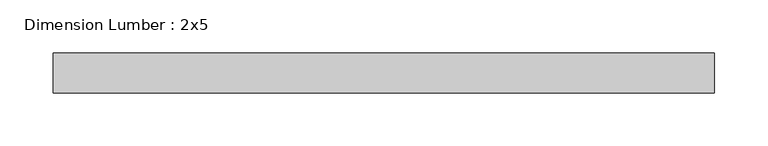
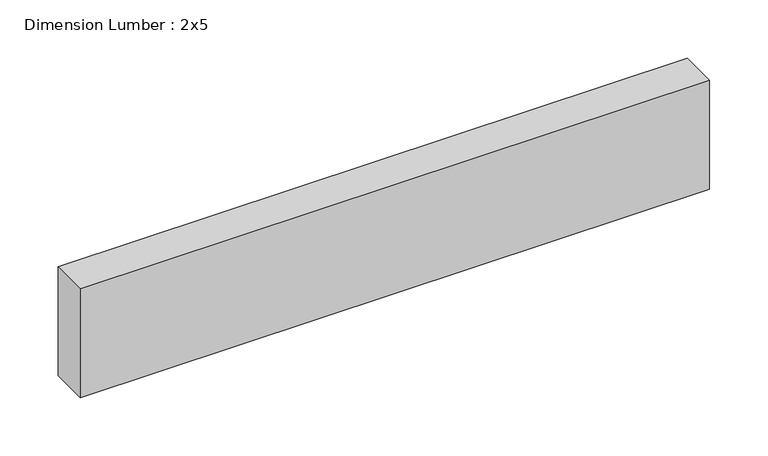
"""IFC4 building model written with IfcOpenShell, lengths in millimetres: beam geometry, Dimension Lumber : 2x5."""

from ifc_helpers import new_model, si_unit, frame, origin, place, context, project, spatial, polyline, outline, extrude, source, transform, mapped, element, save


def dimension_lumber_2x5_fb34c492(model_context):
    return source(origin(), model_context, "Body", "SweptSolid", [
        extrude(outline(polyline([(312.2133908, 19.05), (312.2133908, -19.05), (-312.2133908, -19.05), (-312.2133908, 19.05), (312.2133908, 19.05)])), frame((0.0, 0.0, -57.15), z_axis=(0.0, 0.0, 1.0), x_axis=(1.0, 0.0, 0.0)), (0.0, 0.0, 1.0), 114.3),
    ])


if __name__ == "__main__":
    model = new_model("IFC4")
    model_context = context("Model", 3, world=origin())
    ifc_project = project(units=[si_unit("LENGTHUNIT", "METRE", prefix="MILLI")], contexts=[model_context])
    site = spatial("IfcSite", under=ifc_project)
    building = spatial("IfcBuilding", under=site)
    placement = place(None, origin())
    dimension_lumber_2x5_shape = dimension_lumber_2x5_fb34c492(model_context)
    element("IfcBeam", 1, ObjectType="Dimension Lumber : 2x5", at=placement, inside=building, context=model_context, shape_type="MappedRepresentation", body=[
        mapped(dimension_lumber_2x5_shape, transform((0.0, 0.0, 0.0), x_axis=(1.0, 0.0, 0.0), y_axis=(0.0, 1.0, 0.0), z_axis=(0.0, 0.0, 1.0))),
    ])
    save(model, "model.ifc")
